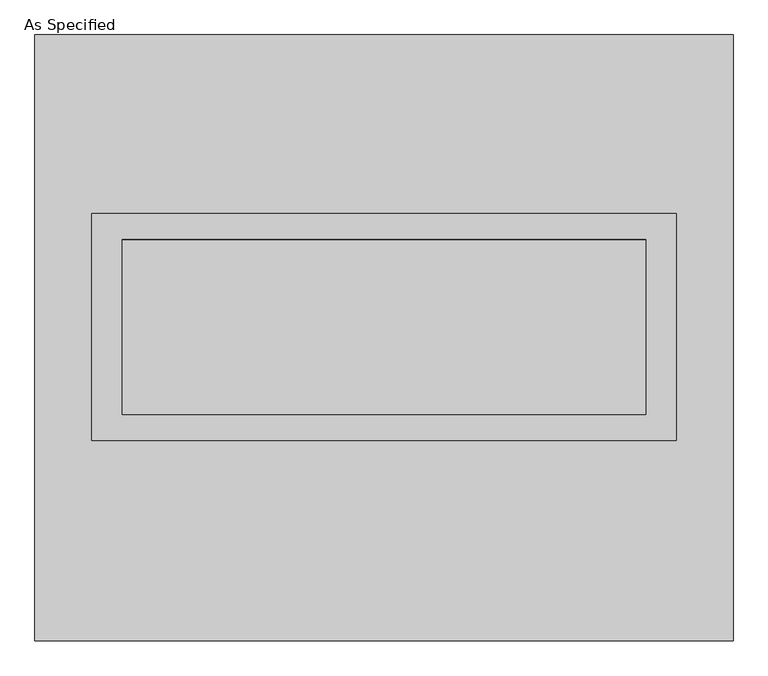
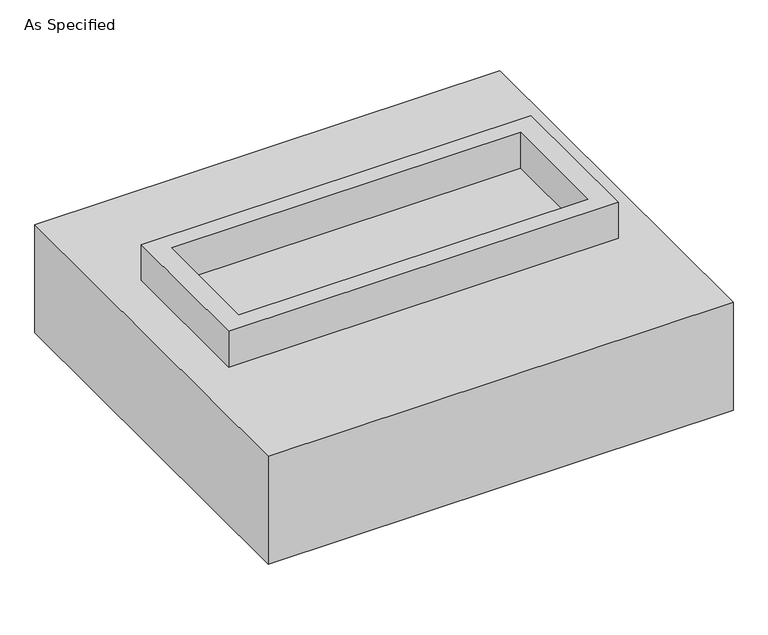
"""IFC4 building model written with IfcOpenShell, lengths in millimetres: proxy geometry, As Specified."""

from ifc_helpers import new_model, si_unit, frame, origin, place, context, project, spatial, polyline, outline, extrude, source, transform, mapped, element, save


def as_specified_9f7216f5(model_context):
    return source(origin(), model_context, "Body", "SweptSolid", [
        extrude(outline(polyline([(850.9, 361.95), (850.9, -298.45), (-850.9, -298.45), (-850.9, 361.95), (850.9, 361.95)]), holes=[polyline([(762.0, 285.75), (-762.0, 285.75), (-762.0, -222.25), (762.0, -222.25), (762.0, 285.75)])]), frame((0.0, 0.0, -688.975), z_axis=(0.0, 0.0, 1.0), x_axis=(1.0, 0.0, 0.0)), (0.0, 0.0, 1.0), 165.1),
        extrude(outline(polyline([(850.9, 361.95), (850.9, -298.45), (-850.9, -298.45), (-850.9, 361.95), (850.9, 361.95)]), holes=[polyline([(762.0, 285.75), (-762.0, 285.75), (-762.0, -222.25), (762.0, -222.25), (762.0, 285.75)])]), frame((0.0, 0.0, -25.4), z_axis=(0.0, 0.0, 1.0), x_axis=(1.0, 0.0, 0.0)), (0.0, 0.0, 1.0), 165.1),
        extrude(outline(polyline([(762.0, 285.75), (762.0, -222.25), (-762.0, -222.25), (-762.0, 285.75), (762.0, 285.75)])), frame((0.0, 0.0, -523.875), z_axis=(0.0, 0.0, 1.0), x_axis=(1.0, 0.0, 0.0)), (0.0, 0.0, 1.0), 4.9609375),
        extrude(outline(polyline([(762.0, 285.75), (762.0, -222.25), (-762.0, -222.25), (-762.0, 285.75), (762.0, 285.75)])), frame((0.0, 0.0, -30.3609375), z_axis=(0.0, 0.0, 1.0), x_axis=(1.0, 0.0, 0.0)), (0.0, 0.0, 1.0), 4.9609375),
        extrude(outline(polyline([(1016.0, -882.65), (-1016.0, -882.65), (-1016.0, 882.65), (1016.0, 882.65), (1016.0, -882.65)]), holes=[polyline([(-850.9, 361.95), (-850.9, -298.45), (850.9, -298.45), (850.9, 361.95), (-850.9, 361.95)])]), frame((0.0, 0.0, -523.875), z_axis=(0.0, 0.0, 1.0), x_axis=(1.0, 0.0, 0.0)), (0.0, 0.0, 1.0), 498.475),
    ])


if __name__ == "__main__":
    model = new_model("IFC4")
    model_context = context("Model", 3, world=origin())
    ifc_project = project(units=[si_unit("LENGTHUNIT", "METRE", prefix="MILLI")], contexts=[model_context])
    site = spatial("IfcSite", under=ifc_project)
    building = spatial("IfcBuilding", under=site)
    placement = place(None, origin())
    as_specified_shape = as_specified_9f7216f5(model_context)
    element("IfcBuildingElementProxy", 1, Name="As Specified", ObjectType="As Specified", at=placement, inside=building, context=model_context, shape_type="MappedRepresentation", body=[
        mapped(as_specified_shape, transform((0.0, 0.0, 0.0), x_axis=(1.0, 0.0, 0.0), y_axis=(0.0, 1.0, 0.0), z_axis=(0.0, 0.0, 1.0))),
    ])
    save(model, "model.ifc")
